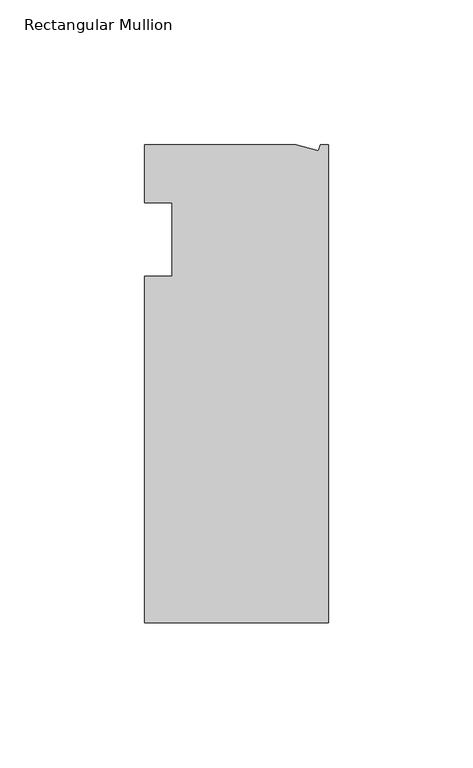
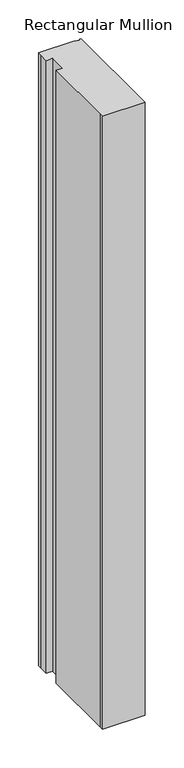
"""IFC4 building model written with IfcOpenShell, lengths in millimetres: member geometry, Rectangular Mullion."""

from ifc_helpers import new_model, si_unit, frame, origin, place, context, project, spatial, polyline, outline, extrude, source, transform, mapped, element, save


def rectangular_mullion_58bf50a2(model_context):
    return source(origin(), model_context, "Body", "SweptSolid", [
        extrude(outline(polyline([(0.0, -132.5561012), (-63.5, -132.5561012), (-63.5, -126.2061012), (-63.5, -12.8054199), (-53.975, -12.8054199), (-53.975, 12.5945801), (-63.5, 12.5945801), (-63.5, 26.1938988), (-63.5, 32.5438988), (-11.121847, 32.5438988), (-3.3341886, 30.4622958), (-2.7616541, 32.5438988), (0.0, 32.5438988), (0.0, -132.5561012)])), frame((0.0, 0.0, -965.2), z_axis=(0.0, 0.0, 1.0), x_axis=(1.0, 0.0, 0.0)), (0.0, 0.0, 1.0), 965.2),
    ])


if __name__ == "__main__":
    model = new_model("IFC4")
    model_context = context("Model", 3, world=origin())
    ifc_project = project(units=[si_unit("LENGTHUNIT", "METRE", prefix="MILLI")], contexts=[model_context])
    site = spatial("IfcSite", under=ifc_project)
    building = spatial("IfcBuilding", under=site)
    placement = place(None, origin())
    rectangular_mullion_shape = rectangular_mullion_58bf50a2(model_context)
    element("IfcMember", 1, ObjectType="Rectangular Mullion", at=placement, inside=building, context=model_context, shape_type="MappedRepresentation", body=[
        mapped(rectangular_mullion_shape, transform((0.0, 0.0, 0.0), x_axis=(1.0, 0.0, 0.0), y_axis=(0.0, 1.0, 0.0), z_axis=(0.0, 0.0, 1.0))),
    ])
    save(model, "model.ifc")
